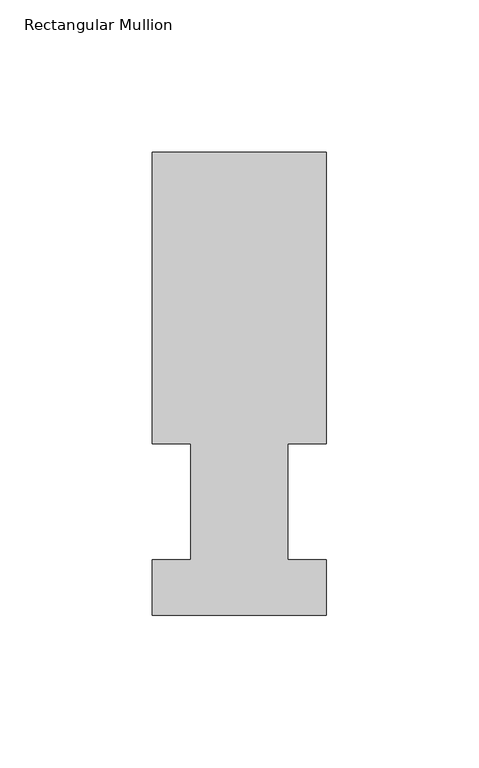
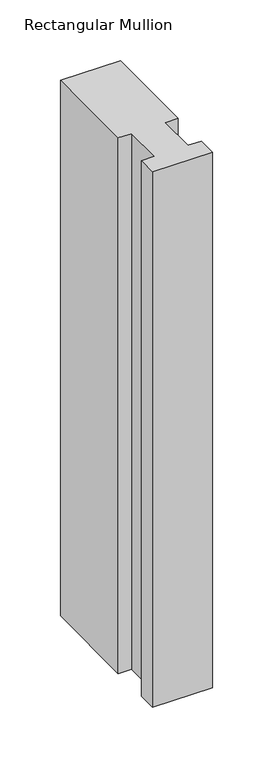
"""IFC4 building model written with IfcOpenShell, lengths in millimetres: member geometry, Rectangular Mullion."""

import ifcopenshell
import ifcopenshell.guid

model = None  # the IFC model being written
_history = None  # IfcOwnerHistory: only IFC2X3 demands one
_inside = {}  # id of a spatial element -> (the spatial element, [elements in it])
_under = {}  # id of a project, library or spatial element -> (it, [spatial elements below it])
_declared = {}  # id of a project -> (the project, [libraries it declares])
_typed = {}  # id of a type object -> (the type object, [elements of that type])
_made_of = {}  # id of a material, layer set ... -> (it, [elements and type objects made of it])


def new_model(schema):
    """Start an empty IFC model of exactly this schema.

    Asked for "IFC4X3", IfcOpenShell would pick the latest addendum, in which some entities
    have other attributes; the version numbers below select the first issue.
    IFC2X3 requires an IfcOwnerHistory on every rooted entity: one is made here for all.
    """
    global model, _history
    if schema == "IFC4X3":
        model = ifcopenshell.file(schema_version=(4, 3, 0, 0))
    else:
        model = ifcopenshell.file(schema=schema)
    _inside.clear()
    _under.clear()
    _declared.clear()
    _typed.clear()
    _made_of.clear()
    _history = None
    if model.schema == "IFC2X3":
        org = make("IfcOrganization", Name="unknown")
        user = make(
            "IfcPersonAndOrganization",
            ThePerson=make("IfcPerson", FamilyName="unknown"),
            TheOrganization=org,
        )
        app = make(
            "IfcApplication",
            ApplicationDeveloper=org,
            Version="unknown",
            ApplicationFullName="unknown",
            ApplicationIdentifier="unknown",
        )
        _history = make(
            "IfcOwnerHistory",
            OwningUser=user,
            OwningApplication=app,
            ChangeAction="ADDED",
            CreationDate=0,
        )
    return model


def make(cls, **values):
    """One entity of the class cls with the attributes given. An attribute that is None is left unset."""
    return model.create_entity(
        cls, **{name: value for name, value in values.items() if value is not None}
    )


def rooted(cls, **values):
    """An entity with a GlobalId (a new one), such as an element, a storey or a relation."""
    return make(cls, GlobalId=ifcopenshell.guid.new(), OwnerHistory=_history, **values)


def si_unit(unit_type, name, prefix=None):
    """IfcSIUnit, for example si_unit("LENGTHUNIT", "METRE", prefix="MILLI")."""
    return make("IfcSIUnit", UnitType=unit_type, Prefix=prefix, Name=name)


def assignment(units):
    """IfcUnitAssignment: the units of a project."""
    return None if units is None else make("IfcUnitAssignment", Units=units)


def point(xyz):
    """IfcCartesianPoint."""
    return None if xyz is None else make("IfcCartesianPoint", Coordinates=xyz)


def direction(xyz):
    """IfcDirection."""
    return None if xyz is None else make("IfcDirection", DirectionRatios=xyz)


def frame(location, z_axis=None, x_axis=None):
    """IfcAxis2Placement3D, a coordinate frame: its origin and axes. An axis left out is left unset."""
    return make(
        "IfcAxis2Placement3D",
        Location=point(location),
        Axis=direction(z_axis),
        RefDirection=direction(x_axis),
    )


def origin():
    """The frame at (0, 0, 0) with its axes left unset."""
    return frame((0.0, 0.0, 0.0))


def place(relative_to, where):
    """IfcLocalPlacement: puts the frame where relative to a parent placement (None: the world)."""
    return make(
        "IfcLocalPlacement", PlacementRelTo=relative_to, RelativePlacement=where
    )


def context(
    kind, dimensions, precision=None, world=None, true_north=None, identifier=None
):
    """IfcGeometricRepresentationContext, for example the 3D "Model" context."""
    return make(
        "IfcGeometricRepresentationContext",
        ContextIdentifier=identifier,
        ContextType=kind,
        CoordinateSpaceDimension=dimensions,
        Precision=precision,
        WorldCoordinateSystem=world,
        TrueNorth=true_north,
    )


def project(units=None, contexts=None):
    """IfcProject with its units and contexts."""
    return rooted(
        "IfcProject",
        Name="project",
        RepresentationContexts=contexts,
        UnitsInContext=assignment(units),
    )


def spatial(cls, under=None, at=None, **own):
    """A site, building, storey or space (cls), placed at a placement, below another one or the project."""
    s = rooted(cls, ObjectPlacement=at, **own)
    if under is not None:
        _under.setdefault(under.id(), (under, []))[1].append(s)
    return s


def polyline(points):
    """IfcPolyline through the points."""
    return make("IfcPolyline", Points=[point(p) for p in points])


def outline(outer, holes=None, kind="AREA"):
    """IfcArbitraryClosedProfileDef: a profile drawn as a closed curve; with holes, ...WithVoids."""
    if holes is None:
        return make("IfcArbitraryClosedProfileDef", ProfileType=kind, OuterCurve=outer)
    return make(
        "IfcArbitraryProfileDefWithVoids",
        ProfileType=kind,
        OuterCurve=outer,
        InnerCurves=holes,
    )


def extrude(swept, where, along, depth):
    """IfcExtrudedAreaSolid: the profile swept, set in the frame where, extruded along a direction by depth."""
    return make(
        "IfcExtrudedAreaSolid",
        SweptArea=swept,
        Position=where,
        ExtrudedDirection=direction(along),
        Depth=depth,
    )


def shape(context_of_items, identifier, shape_type, items):
    """IfcShapeRepresentation: the items that make up one representation, for example the "Body"."""
    return make(
        "IfcShapeRepresentation",
        ContextOfItems=context_of_items,
        RepresentationIdentifier=identifier,
        RepresentationType=shape_type,
        Items=items,
    )


def source(mapping_origin, context_of_items, identifier, shape_type, items):
    """IfcRepresentationMap: a shape defined once, which mapped items show again and again."""
    return make(
        "IfcRepresentationMap",
        MappingOrigin=mapping_origin,
        MappedRepresentation=shape(context_of_items, identifier, shape_type, items),
    )


def transform(
    local_origin,
    x_axis=None,
    y_axis=None,
    z_axis=None,
    scale=None,
    scale2=None,
    scale3=None,
    uniform=True,
):
    """IfcCartesianTransformationOperator3D, or its non-uniform kind. x_axis, y_axis, z_axis: its Axis1, 2, 3."""
    if uniform:
        return make(
            "IfcCartesianTransformationOperator3D",
            Axis1=direction(x_axis),
            Axis2=direction(y_axis),
            LocalOrigin=point(local_origin),
            Scale=scale,
            Axis3=direction(z_axis),
        )
    return make(
        "IfcCartesianTransformationOperator3DnonUniform",
        Axis1=direction(x_axis),
        Axis2=direction(y_axis),
        LocalOrigin=point(local_origin),
        Scale=scale,
        Axis3=direction(z_axis),
        Scale2=scale2,
        Scale3=scale3,
    )


def mapped(mapping_source, mapping_target):
    """IfcMappedItem: shows the shape of a source again, moved by a transform."""
    return make(
        "IfcMappedItem", MappingSource=mapping_source, MappingTarget=mapping_target
    )


def made_of(thing, what):
    """Note that an element or type object is made of a material, layer set ...; save() writes the relation."""
    if what is not None:
        _made_of.setdefault(what.id(), (what, []))[1].append(thing)
    return thing


def element(
    cls,
    number,
    at=None,
    inside=None,
    cuts=None,
    type_object=None,
    material=None,
    context=None,
    identifier="Body",
    shape_type=None,
    held_by="IfcProductDefinitionShape",
    body=None,
    shapes=None,
    **own,
):
    """One element of the class cls, such as IfcWall. Its Tag is "e" and its number.

    at: its placement. inside: the storey or other place that contains it. cuts: it is an
    opening in that element (IfcRelVoidsElement). A single representation is given by context,
    identifier, shape_type and body (its items); several are given by shapes. held_by: the class
    of the entity that holds the representations. save() writes the other relations.
    """
    e = rooted(cls, Tag="e%d" % number, ObjectPlacement=at, **own)
    if body is not None:
        shapes = [shape(context, identifier, shape_type, body)]
    if shapes is not None:
        e.Representation = make(held_by, Representations=shapes)
    if inside is not None:
        _inside.setdefault(inside.id(), (inside, []))[1].append(e)
    if cuts is not None:
        rooted(
            "IfcRelVoidsElement", RelatingBuildingElement=cuts, RelatedOpeningElement=e
        )
    if type_object is not None:
        _typed.setdefault(type_object.id(), (type_object, []))[1].append(e)
    return made_of(e, material)


def aggregate(whole, parts):
    """IfcRelAggregates: a whole, such as a stair, and the parts it consists of."""
    return rooted("IfcRelAggregates", RelatingObject=whole, RelatedObjects=parts)


def save(model, path):
    """Write the relations noted so far, then the file.

    IfcRelAggregates (storeys below a building ...), IfcRelContainedInSpatialStructure (elements
    in a storey), IfcRelDefinesByType, IfcRelAssociatesMaterial and IfcRelDeclares: one each for
    every whole, place, type object, material and project.
    """
    for whole, parts in _under.values():
        aggregate(whole, parts)
    for where, things in _inside.values():
        rooted(
            "IfcRelContainedInSpatialStructure",
            RelatedElements=things,
            RelatingStructure=where,
        )
    for kind, things in _typed.values():
        rooted("IfcRelDefinesByType", RelatedObjects=things, RelatingType=kind)
    for what, things in _made_of.values():
        rooted("IfcRelAssociatesMaterial", RelatedObjects=things, RelatingMaterial=what)
    for by, libraries in _declared.values():
        rooted("IfcRelDeclares", RelatingContext=by, RelatedDefinitions=libraries)
    model.write(path)


def rectangular_mullion_5f6618e3(model_context):
    return source(origin(), model_context, "Body", "SweptSolid", [
        extrude(outline(polyline([(-57.15, 56.35625), (-57.15, 151.98725), (0.0, 151.98725), (0.0, 56.35625), (-12.7, 56.35625), (-12.7, 18.25625), (0.0, 18.25625), (0.0, -0.03175), (-57.15, -0.03175), (-57.15, 18.25625), (-44.45, 18.25625), (-44.45, 56.35625), (-57.15, 56.35625)])), frame((0.0, 0.0, -539.75), z_axis=(0.0, 0.0, 1.0), x_axis=(1.0, 0.0, 0.0)), (0.0, 0.0, 1.0), 539.75),
    ])


if __name__ == "__main__":
    model = new_model("IFC4")
    model_context = context("Model", 3, world=origin())
    ifc_project = project(units=[si_unit("LENGTHUNIT", "METRE", prefix="MILLI")], contexts=[model_context])
    site = spatial("IfcSite", under=ifc_project)
    building = spatial("IfcBuilding", under=site)
    placement = place(None, origin())
    rectangular_mullion_shape = rectangular_mullion_5f6618e3(model_context)
    element("IfcMember", 1, ObjectType="Rectangular Mullion", at=placement, inside=building, context=model_context, shape_type="MappedRepresentation", body=[
        mapped(rectangular_mullion_shape, transform((0.0, 0.0, 0.0), x_axis=(1.0, 0.0, 0.0), y_axis=(0.0, 1.0, 0.0), z_axis=(0.0, 0.0, 1.0))),
    ])
    save(model, "model.ifc")
